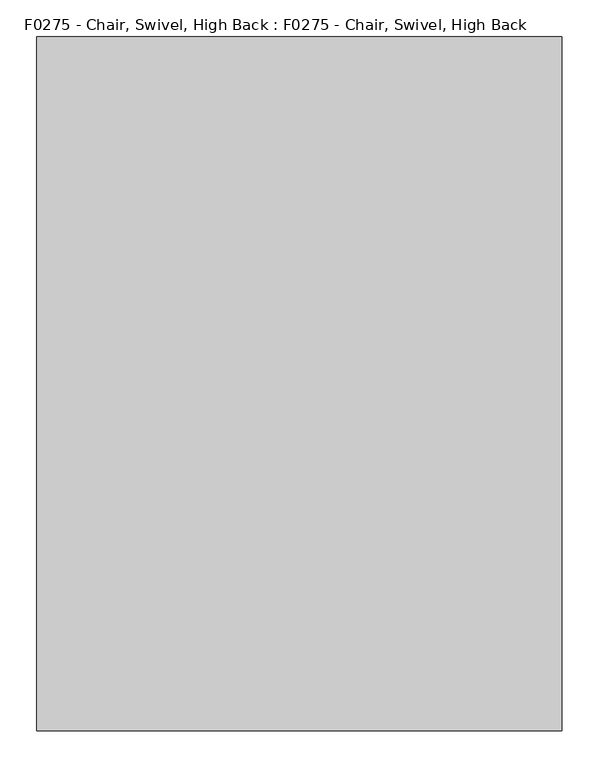
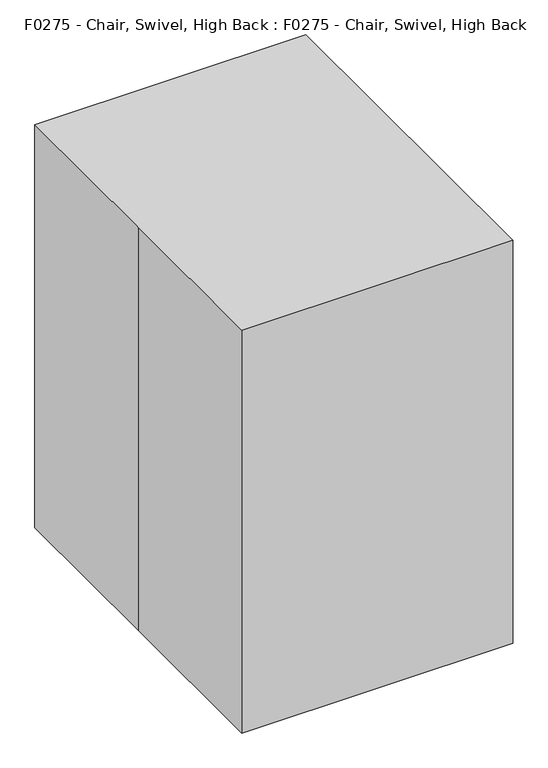
"""IFC4 building model written with IfcOpenShell, lengths in millimetres: proxy geometry, F0275 - Chair, Swivel, High Back : F0275 - Chair, Swivel, High Back."""

from ifc_helpers import new_model, si_unit, point, frame, frame_2d, origin, origin_with_axes, place, context, project, spatial, polyline, circle_curve, ellipse_curve, trimmed, segment, composite_curve, outline, extrude, source, transform, mapped, element, save
from ifc_brep_helpers import plane_surface, cylinder_surface, revolved_surface, advanced_brep


def f0275_chair_swivel_high_back_f0275_chair_swivel_high_back_15ce1d9b(model_context):
    return source(origin(), model_context, "Body", "SolidModel", [
        advanced_brep(
        [(-229.266219, -191.1122284, 430.2387079), (232.2634404, -190.6780441, 430.1937403), (236.5928369, -215.5732273, 432.7720849), (-229.266219, -216.744063, 432.893346), (-229.266219, -284.0352008, 957.2310718), (-229.266219, -307.2133069, 945.9699241), (236.5928369, -306.154555, 946.4843217), (232.2634404, -283.6425808, 957.4218273)],
        [
            (0, 1, circle_curve(frame((0.2419957, 1130.6870318, 293.3425871), z_axis=(0.0, 0.10301698777209904, 0.9946795967699162), x_axis=(-1.0, 0.0, 0.0)), 1348.5428628)),
            (1, 2, circle_curve(frame((232.2634404, -203.4980924, 431.5214872), z_axis=(0.0, -0.10301698777209904, -0.9946795967699162), x_axis=(-1.0, 0.0, 0.0)), 12.888621)),
            (2, 3, circle_curve(frame((0.2419957, 1130.6870318, 293.3425871), z_axis=(0.0, -0.10301698777209904, -0.9946795967699162), x_axis=(-1.0, 0.0, 0.0)), 1373.9428628)),
            (3, 0, circle_curve(frame((-229.266219, -203.9281457, 431.5660269), z_axis=(0.0, -0.10301698777209904, -0.9946795967699162), x_axis=(-1.0, 0.0, 0.0)), 12.8844679)),
            (4, 5, circle_curve(frame((-229.266219, -295.6242538, 951.6004979), z_axis=(0.0, -0.4370047614753819, 0.8994591922082094), x_axis=(-1.0, 0.0, 0.0)), 12.8844679)),
            (5, 6, circle_curve(frame((0.2419957, 911.2285794, 1537.9533187), z_axis=(0.0, -0.4370047614753819, 0.8994591922082094), x_axis=(-1.0, 0.0, 0.0)), 1373.9428628)),
            (6, 7, circle_curve(frame((232.2634404, -295.2353694, 951.7894385), z_axis=(0.0, -0.4370047614753819, 0.8994591922082094), x_axis=(-1.0, 0.0, 0.0)), 12.888621)),
            (7, 4, circle_curve(frame((0.2419957, 911.2285794, 1537.9533187), z_axis=(0.0, 0.4370047614753819, -0.8994591922082094), x_axis=(-1.0, 0.0, 0.0)), 1348.5428628)),
            (7, 1, circle_curve(frame((232.2634404, -1161.7926736, 530.7701512), z_axis=(-1.0, 0.0, 0.0), x_axis=(0.0, 0.9946795967699159, -0.10301698777210248)), 976.308987)),
            (0, 4, circle_curve(frame((-229.266219, -1161.7926736, 530.7701512), z_axis=(1.0, 0.0, 0.0), x_axis=(0.0, 0.9946795967699159, -0.10301698777210248)), 975.8724803)),
            (6, 2, circle_curve(frame((236.5928369, -1161.7926736, 530.7701512), z_axis=(-1.0, 0.0, 0.0), x_axis=(0.0, 0.9946795967699159, -0.10301698777210248)), 951.280643)),
            (5, 3, circle_curve(frame((-229.266219, -1161.7926736, 530.7701512), z_axis=(-1.0, 0.0, 0.0), x_axis=(0.0, 0.9946795967699159, -0.10301698777210248)), 950.1035446)),
        ],
        [
            plane_surface(frame((-317.2580043, -172.9739127, 428.3601586), z_axis=(0.0, -0.10301698777210244, -0.9946795967699159), x_axis=(-1.0, 0.0, 0.0))),
            plane_surface(frame((-317.2580043, -267.633261, 965.2), z_axis=(0.0, -0.437004761475379, 0.8994591922082108), x_axis=(-1.0, 0.0, 0.0))),
            revolved_surface(trimmed(ellipse_curve(frame((0.2419957, 1130.6870318, 293.3425871), z_axis=(0.0, 0.10301698777209904, 0.9946795967699162), x_axis=(-1.0, 0.0, 0.0)), 1348.5428628, 1348.5428628), [point((-229.266219, -191.1122284, 430.2387079))], [point((232.2634404, -190.6780441, 430.1937403))], True, "CARTESIAN"), (-317.2580043, -1161.7926736, 530.7701512), (1.0, 0.0, 0.0)),
            revolved_surface(trimmed(ellipse_curve(frame((232.2634404, -203.4980924, 431.5214872), z_axis=(0.0, -0.10301698777209904, -0.9946795967699162), x_axis=(-1.0, 0.0, 0.0)), 12.888621, 12.888621), [point((232.2634404, -190.6780441, 430.1937403))], [point((236.5928369, -215.5732273, 432.7720849))], True, "CARTESIAN"), (-317.2580043, -1161.7926736, 530.7701512), (1.0, 0.0, 0.0)),
            revolved_surface(trimmed(ellipse_curve(frame((0.2419957, 1130.6870318, 293.3425871), z_axis=(0.0, -0.10301698777209904, -0.9946795967699162), x_axis=(-1.0, 0.0, 0.0)), 1373.9428628, 1373.9428628), [point((236.5928369, -215.5732273, 432.7720849))], [point((-229.266219, -216.744063, 432.893346))], True, "CARTESIAN"), (-317.2580043, -1161.7926736, 530.7701512), (1.0, 0.0, 0.0)),
            revolved_surface(trimmed(ellipse_curve(frame((-229.266219, -203.9281457, 431.5660269), z_axis=(0.0, -0.10301698777209904, -0.9946795967699162), x_axis=(-1.0, 0.0, 0.0)), 12.8844679, 12.8844679), [point((-229.266219, -216.744063, 432.893346))], [point((-229.266219, -191.1122284, 430.2387079))], True, "CARTESIAN"), (-317.2580043, -1161.7926736, 530.7701512), (1.0, 0.0, 0.0)),
        ],
        [
            (0, [[1, 2, 3, 4]]),
            (1, [[5, 6, 7, 8]]),
            (2, [[9, -1, 10, -8]]),
            (3, [[11, -2, -9, -7]]),
            (4, [[12, -3, -11, -6]]),
            (5, [[-10, -4, -12, -5]]),
        ],
    ),
        extrude(outline(composite_curve([segment(polyline([(-212.8377573, -173.8554076), (-212.8377573, 183.0901052)]), True, "CONTINUOUS"), segment(trimmed(circle_curve(frame_2d((-186.0922445, 183.0901052)), 26.7455128), [point((-212.8377573, 183.0901052))], [point((-186.0922445, 209.835618))], False, "CARTESIAN"), True, "CONTINUOUS"), segment(polyline([(-186.0922445, 209.835618), (194.9077555, 209.835618)]), True, "CONTINUOUS"), segment(trimmed(circle_curve(frame_2d((194.9077555, 183.0901052)), 26.7455128), [point((194.9077555, 209.835618))], [point((221.6532683, 183.0901052))], False, "CARTESIAN"), True, "CONTINUOUS"), segment(polyline([(221.6532683, 183.0901052), (221.6532683, -173.8554076), (-212.8377573, -173.8554076)]), True, "CONTINUOUS")], self_intersect=False)), frame((0.0, 0.0, 324.0440254), z_axis=(0.0, 0.0, 1.0), x_axis=(1.0, 0.0, 0.0)), (0.0, 0.0, 1.0), 67.8491407),
        advanced_brep(
        [(-212.8377573, -172.5098948, 391.8931661), (-211.4922445, -173.8554076, 391.8931661), (-211.4922445, -173.8554076, 324.0440254), (-212.8377573, -172.5098948, 324.0440254), (-212.8377573, 183.0901052, 324.0440254), (-212.8377573, 183.0901052, 391.8931661), (-186.0922445, 209.835618, 391.8931661), (-186.0922445, 209.835618, 324.0440254), (194.9077555, 209.835618, 324.0440254), (194.9077555, 209.835618, 391.8931661), (221.6532683, 183.0901052, 391.8931661), (221.6532683, 183.0901052, 324.0440254), (221.6532683, -172.5098948, 324.0440254), (221.6532683, -172.5098948, 391.8931661), (220.3077555, -173.8554076, 391.8931661), (220.3077555, -173.8554076, 324.0440254)],
        [
            (0, 1, circle_curve(frame((-211.4922445, -172.5098948, 391.8931661), z_axis=(0.0, 0.0, 1.0), x_axis=(0.0, -1.0, 0.0)), 1.3455128)),
            (1, 2),
            (2, 3, circle_curve(frame((-211.4922445, -172.5098948, 324.0440254), z_axis=(0.0, 0.0, -1.0), x_axis=(0.0, -1.0, 0.0)), 1.3455128)),
            (3, 0),
            (2, 1, circle_curve(frame((-211.4922445, -173.8554076, 357.9685958), z_axis=(-1.0, 0.0, 0.0), x_axis=(0.0, 1.0, 0.0)), 33.9245703)),
            (0, 3, circle_curve(frame((-212.8377573, -172.5098948, 357.9685958), z_axis=(0.0, -1.0, 0.0), x_axis=(1.0, 0.0, 0.0)), 33.9245703)),
            (3, 4),
            (4, 5),
            (5, 0),
            (5, 4, circle_curve(frame((-212.8377573, 183.0901052, 357.9685958), z_axis=(0.0, -1.0, 0.0), x_axis=(1.0, 0.0, 0.0)), 33.9245703)),
            (6, 5, circle_curve(frame((-186.0922445, 183.0901052, 391.8931661), z_axis=(0.0, 0.0, 1.0), x_axis=(-1.0, 0.0, 0.0)), 26.7455128)),
            (4, 7, circle_curve(frame((-186.0922445, 183.0901052, 324.0440254), z_axis=(0.0, 0.0, -1.0), x_axis=(-1.0, 0.0, 0.0)), 26.7455128)),
            (7, 6),
            (6, 7, circle_curve(frame((-186.0922445, 209.835618, 357.9685958), z_axis=(-1.0, 0.0, 0.0), x_axis=(0.0, -1.0, 0.0)), 33.9245703)),
            (7, 8),
            (8, 9),
            (9, 6),
            (9, 8, circle_curve(frame((194.9077555, 209.835618, 357.9685958), z_axis=(-1.0, 0.0, 0.0), x_axis=(0.0, -1.0, 0.0)), 33.9245703)),
            (10, 9, circle_curve(frame((194.9077555, 183.0901052, 391.8931661), z_axis=(0.0, 0.0, 1.0), x_axis=(0.0, 1.0, 0.0)), 26.7455128)),
            (8, 11, circle_curve(frame((194.9077555, 183.0901052, 324.0440254), z_axis=(0.0, 0.0, -1.0), x_axis=(0.0, 1.0, 0.0)), 26.7455128)),
            (11, 10),
            (10, 11, circle_curve(frame((221.6532683, 183.0901052, 357.9685958), z_axis=(0.0, 1.0, 0.0), x_axis=(-1.0, 0.0, 0.0)), 33.9245703)),
            (11, 12),
            (12, 13),
            (13, 10),
            (13, 12, circle_curve(frame((221.6532683, -172.5098948, 357.9685958), z_axis=(0.0, 1.0, 0.0), x_axis=(-1.0, 0.0, 0.0)), 33.9245703)),
            (14, 13, circle_curve(frame((220.3077555, -172.5098948, 391.8931661), z_axis=(0.0, 0.0, 1.0), x_axis=(1.0, 0.0, 0.0)), 1.3455128)),
            (12, 15, circle_curve(frame((220.3077555, -172.5098948, 324.0440254), z_axis=(0.0, 0.0, -1.0), x_axis=(1.0, 0.0, 0.0)), 1.3455128)),
            (15, 14),
            (14, 15, circle_curve(frame((220.3077555, -173.8554076, 357.9685958), z_axis=(1.0, 0.0, 0.0), x_axis=(0.0, 1.0, 0.0)), 33.9245703)),
            (15, 2),
            (1, 14),
        ],
        [
            revolved_surface(polyline([(-211.4922445, -173.8554076, 324.0440254), (-211.4922445, -173.8554076, 391.8931661)]), (-211.4922445, -172.5098948, 0.0), (0.0, 0.0, -1.0)),
            revolved_surface(trimmed(ellipse_curve(frame((-211.4922445, -173.8554076, 357.9685958), z_axis=(1.0, 0.0, 0.0), x_axis=(0.0, 1.0, 0.0)), 33.9245703, 33.9245703), [point((-211.4922445, -173.8554076, 391.8931661))], [point((-211.4922445, -173.8554076, 324.0440254))], True, "CARTESIAN"), (-211.4922445, -172.5098948, 0.0), (0.0, 0.0, -1.0)),
            plane_surface(frame((-212.8377573, -172.5098948, 324.0440254), z_axis=(1.0, 0.0, 0.0), x_axis=(0.0, 1.0, 0.0))),
            cylinder_surface(frame((-212.8377573, -172.5098948, 357.9685958), z_axis=(0.0, -1.0, 0.0), x_axis=(1.0, 0.0, 0.0)), 33.9245703),
            revolved_surface(polyline([(-212.8377573, 183.0901052, 324.0440254), (-212.8377573, 183.0901052, 391.8931661)]), (-186.0922445, 183.0901052, 0.0), (0.0, 0.0, -1.0)),
            revolved_surface(trimmed(ellipse_curve(frame((-212.8377573, 183.0901052, 357.9685958), z_axis=(0.0, -1.0, 0.0), x_axis=(1.0, 0.0, 0.0)), 33.9245703, 33.9245703), [point((-212.8377573, 183.0901052, 391.8931661))], [point((-212.8377573, 183.0901052, 324.0440254))], True, "CARTESIAN"), (-186.0922445, 183.0901052, 0.0), (0.0, 0.0, -1.0)),
            plane_surface(frame((-186.0922445, 209.835618, 324.0440254), z_axis=(0.0, -1.0, 0.0), x_axis=(1.0, 0.0, 0.0))),
            cylinder_surface(frame((-186.0922445, 209.835618, 357.9685958), z_axis=(-1.0, 0.0, 0.0), x_axis=(0.0, -1.0, 0.0)), 33.9245703),
            revolved_surface(polyline([(194.9077555, 209.835618, 324.0440254), (194.9077555, 209.835618, 391.8931661)]), (194.9077555, 183.0901052, 0.0), (0.0, 0.0, -1.0)),
            revolved_surface(trimmed(ellipse_curve(frame((194.9077555, 209.835618, 357.9685958), z_axis=(-1.0, 0.0, 0.0), x_axis=(0.0, -1.0, 0.0)), 33.9245703, 33.9245703), [point((194.9077555, 209.835618, 391.8931661))], [point((194.9077555, 209.835618, 324.0440254))], True, "CARTESIAN"), (194.9077555, 183.0901052, 0.0), (0.0, 0.0, -1.0)),
            plane_surface(frame((221.6532683, 183.0901052, 324.0440254), z_axis=(-1.0, 0.0, 0.0), x_axis=(0.0, -1.0, 0.0))),
            cylinder_surface(frame((221.6532683, 183.0901052, 357.9685958), z_axis=(0.0, 1.0, 0.0), x_axis=(-1.0, 0.0, 0.0)), 33.9245703),
            revolved_surface(polyline([(221.6532683, -172.5098948, 324.0440254), (221.6532683, -172.5098948, 391.8931661)]), (220.3077555, -172.5098948, 0.0), (0.0, 0.0, -1.0)),
            revolved_surface(trimmed(ellipse_curve(frame((221.6532683, -172.5098948, 357.9685958), z_axis=(0.0, 1.0, 0.0), x_axis=(-1.0, 0.0, 0.0)), 33.9245703, 33.9245703), [point((221.6532683, -172.5098948, 391.8931661))], [point((221.6532683, -172.5098948, 324.0440254))], True, "CARTESIAN"), (220.3077555, -172.5098948, 0.0), (0.0, 0.0, -1.0)),
            plane_surface(frame((220.3077555, -173.8554076, 324.0440254), z_axis=(0.0, 1.0, 0.0), x_axis=(-1.0, 0.0, 0.0))),
            cylinder_surface(frame((220.3077555, -173.8554076, 357.9685958), z_axis=(1.0, 0.0, 0.0), x_axis=(0.0, 1.0, 0.0)), 33.9245703),
        ],
        [
            (0, [[1, 2, 3, 4]]),
            (1, [[-3, 5, -1, 6]]),
            (2, [[-4, 7, 8, 9]]),
            (3, [[-6, -9, 10, -7]]),
            (4, [[11, -8, 12, 13]]),
            (5, [[-12, -10, -11, 14]]),
            (6, [[-13, 15, 16, 17]]),
            (7, [[-14, -17, 18, -15]]),
            (8, [[19, -16, 20, 21]]),
            (9, [[-20, -18, -19, 22]]),
            (10, [[-21, 23, 24, 25]]),
            (11, [[-22, -25, 26, -23]]),
            (12, [[27, -24, 28, 29]]),
            (13, [[-28, -26, -27, 30]]),
            (14, [[-29, 31, -2, 32]]),
            (15, [[-30, -32, -5, -31]]),
        ],
    ),
        extrude(outline(composite_curve([segment(trimmed(circle_curve(frame_2d((0.2419957, 0.182522)), 12.7), [point((12.9419957, 0.182522))], [point((-12.4580043, 0.182522))], False, "CARTESIAN"), True, "CONTINUOUS"), segment(trimmed(circle_curve(frame_2d((0.2419957, 0.182522)), 12.7), [point((-12.4580043, 0.182522))], [point((12.9419957, 0.182522))], False, "CARTESIAN"), True, "CONTINUOUS")], self_intersect=False)), frame((0.0, 0.0, 212.7487443), z_axis=(0.0, 0.0, 1.0), x_axis=(1.0, 0.0, 0.0)), (0.0, 0.0, 1.0), 66.217703),
        extrude(outline(polyline([(-355.6, 469.9), (355.6, 469.9), (355.6, -469.9), (-355.6, -469.9), (-355.6, 0.0), (-355.6, 469.9)])), origin_with_axes(), (0.0, 0.0, 1.0), 1117.6),
    ])


if __name__ == "__main__":
    model = new_model("IFC4")
    model_context = context("Model", 3, world=origin())
    ifc_project = project(units=[si_unit("LENGTHUNIT", "METRE", prefix="MILLI")], contexts=[model_context])
    site = spatial("IfcSite", under=ifc_project)
    building = spatial("IfcBuilding", under=site)
    placement = place(None, origin())
    f0275_chair_swivel_high_back_f0275_chair_swivel_high_back_shape = f0275_chair_swivel_high_back_f0275_chair_swivel_high_back_15ce1d9b(model_context)
    element("IfcBuildingElementProxy", 1, Name="F0275 - Chair, Swivel, High Back : F0275 - Chair, Swivel, High Back", ObjectType="F0275 - Chair, Swivel, High Back : F0275 - Chair, Swivel, High Back", at=placement, inside=building, context=model_context, shape_type="MappedRepresentation", body=[
        mapped(f0275_chair_swivel_high_back_f0275_chair_swivel_high_back_shape, transform((0.0, 0.0, 0.0), x_axis=(1.0, 0.0, 0.0), y_axis=(0.0, 1.0, 0.0), z_axis=(0.0, 0.0, 1.0))),
    ])
    save(model, "model.ifc")
